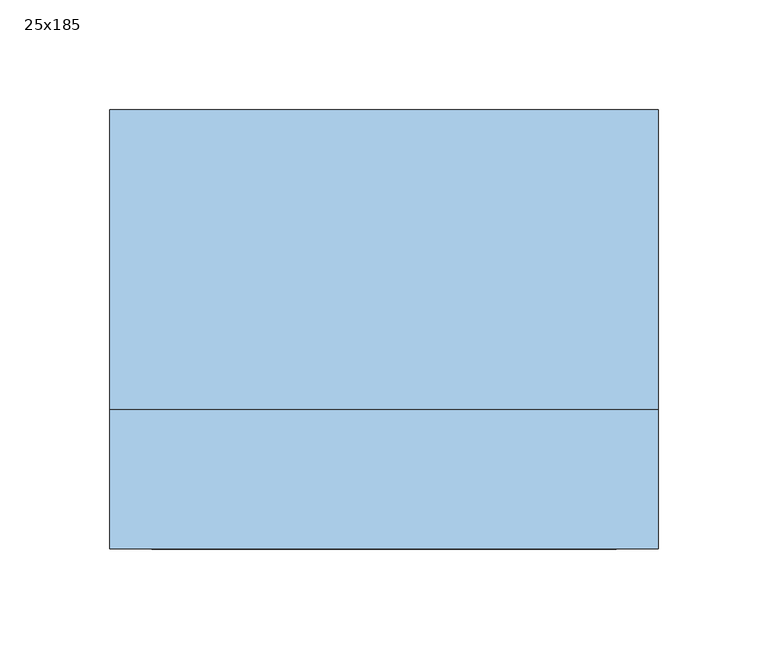
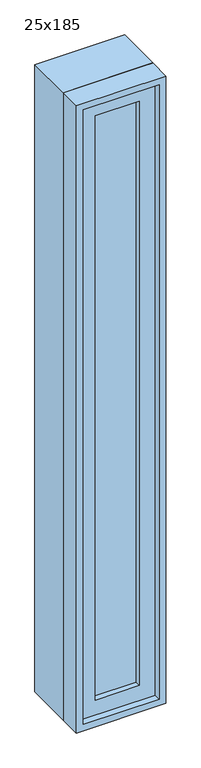
"""IFC4 building model written with IfcOpenShell, lengths in millimetres: window geometry, 25x185."""

from ifc_helpers import new_model, si_unit, frame, origin, place, context, project, spatial, polyline, outline, extrude, source, transform, mapped, element, save


def window_25x185_9eb5f42a(model_context):
    return source(origin(), model_context, "Body", "SweptSolid", [
        extrude(outline(polyline([(23.4, -52.375), (23.4, -65.075), (-99.6, -65.075), (-99.6, -52.375), (23.4, -52.375)])), frame((0.0, 0.0, 977.9), z_axis=(0.0, 0.0, 1.0), x_axis=(1.0, 0.0, 0.0)), (0.0, 0.0, 1.0), 1723.0),
        extrude(outline(polyline([(2745.35, -144.05), (933.45, -144.05), (933.45, 67.85), (2745.35, 67.85), (2745.35, -144.05)]), holes=[polyline([(2700.9, -99.6), (2700.9, 23.4), (977.9, 23.4), (977.9, -99.6), (2700.9, -99.6)])]), frame((0.0, -80.95, 0.0), z_axis=(0.0, 1.0, 0.0), x_axis=(0.0, 0.0, 1.0)), (0.0, 0.0, 1.0), 44.45),
        extrude(outline(polyline([(2764.4, -163.1), (914.4, -163.1), (914.4, 86.9), (2764.4, 86.9), (2764.4, -163.1)]), holes=[polyline([(2732.65, -131.35), (2732.65, 55.15), (946.15, 55.15), (946.15, -131.35), (2732.65, -131.35)])]), frame((0.0, -36.5, 0.0), z_axis=(0.0, 1.0, 0.0), x_axis=(0.0, 0.0, 1.0)), (0.0, 0.0, 1.0), 136.5),
        extrude(outline(polyline([(2764.4, 86.9), (2764.4, -163.1), (914.4, -163.1), (914.4, 86.9), (2764.4, 86.9)]), holes=[polyline([(2745.35, 67.85), (933.45, 67.85), (933.45, -144.05), (2745.35, -144.05), (2745.35, 67.85)])]), frame((0.0, -100.0, 0.0), z_axis=(0.0, 1.0, 0.0), x_axis=(0.0, 0.0, 1.0)), (0.0, 0.0, 1.0), 63.5),
    ])


if __name__ == "__main__":
    model = new_model("IFC4")
    model_context = context("Model", 3, world=origin())
    ifc_project = project(units=[si_unit("LENGTHUNIT", "METRE", prefix="MILLI")], contexts=[model_context])
    site = spatial("IfcSite", under=ifc_project)
    building = spatial("IfcBuilding", under=site)
    placement = place(None, origin())
    window_25x185_shape = window_25x185_9eb5f42a(model_context)
    element("IfcWindow", 1, ObjectType="25x185", at=placement, inside=building, context=model_context, shape_type="MappedRepresentation", body=[
        mapped(window_25x185_shape, transform((0.0, 0.0, 0.0), x_axis=(1.0, 0.0, 0.0), y_axis=(0.0, 1.0, 0.0), z_axis=(0.0, 0.0, 1.0))),
    ])
    save(model, "model.ifc")
